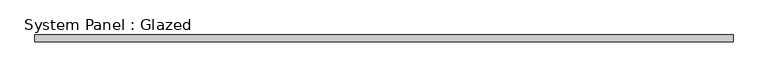
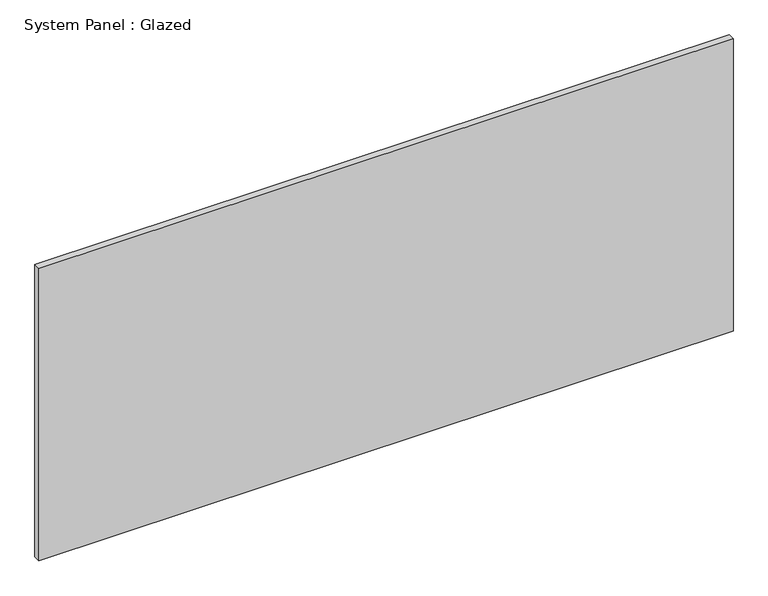
"""IFC4 building model written with IfcOpenShell, lengths in millimetres: plate geometry, System Panel : Glazed."""

from ifc_helpers import new_model, si_unit, origin, origin_with_axes, place, context, project, spatial, polyline, outline, extrude, source, transform, mapped, element, save


def system_panel_glazed_4b691734(model_context):
    return source(origin(), model_context, "Body", "SweptSolid", [
        extrude(outline(polyline([(1297.78125, 19.05), (-1297.78125, 19.05), (-1297.78125, 44.45), (1297.78125, 44.45), (1297.78125, 19.05)])), origin_with_axes(), (0.0, 0.0, 1.0), 1155.7),
    ])


if __name__ == "__main__":
    model = new_model("IFC4")
    model_context = context("Model", 3, world=origin())
    ifc_project = project(units=[si_unit("LENGTHUNIT", "METRE", prefix="MILLI")], contexts=[model_context])
    site = spatial("IfcSite", under=ifc_project)
    building = spatial("IfcBuilding", under=site)
    placement = place(None, origin())
    system_panel_glazed_shape = system_panel_glazed_4b691734(model_context)
    element("IfcPlate", 1, ObjectType="System Panel : Glazed", at=placement, inside=building, context=model_context, shape_type="MappedRepresentation", body=[
        mapped(system_panel_glazed_shape, transform((0.0, 0.0, 0.0), x_axis=(1.0, 0.0, 0.0), y_axis=(0.0, 1.0, 0.0), z_axis=(0.0, 0.0, 1.0))),
    ])
    save(model, "model.ifc")
